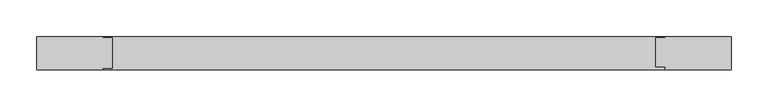
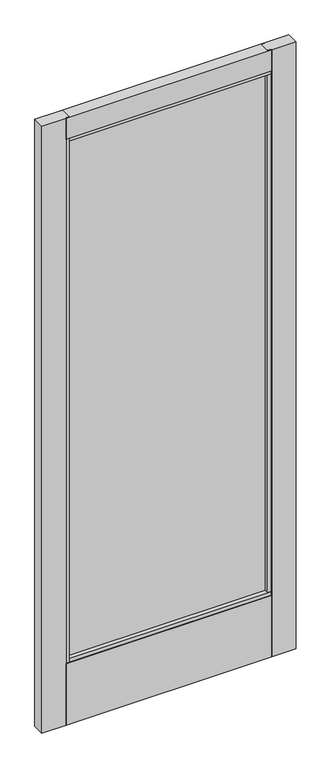
"""IFC4 building model written with IfcOpenShell, lengths in millimetres: plate geometry."""

from ifc_helpers import new_model, si_unit, frame, origin, place, context, project, spatial, polyline, outline, extrude, source, transform, mapped, element, save


def plate_15f1c539(model_context):
    return source(origin(), model_context, "Body", "SweptSolid", [
        extrude(outline(polyline([(-471.4875, 14.2875), (-381.7804594, 14.2875), (-381.7804594, 12.7276195), (-369.0804594, 12.7276195), (-369.0804594, -28.2929584), (-381.7804594, -28.2929584), (-381.7804594, -30.1625), (-471.4875, -30.1625), (-471.4875, 14.2875)])), frame((0.0, 0.0, 17.4625), z_axis=(0.0, 0.0, 1.0), x_axis=(1.0, 0.0, 0.0)), (0.0, 0.0, 1.0), 2379.2344027),
        extrude(outline(polyline([(-377.4719957, -10.8991855), (-377.4719957, -4.5491855), (373.8716222, -4.5491855), (373.8716222, -10.8991855), (-377.4719957, -10.8991855)])), frame((0.0, 0.0, 263.906), z_axis=(0.0, 0.0, 1.0), x_axis=(1.0, 0.0, 0.0)), (0.0, 0.0, 1.0), 2045.4784027),
        extrude(outline(polyline([(471.4875, 14.2875), (471.4875, -30.1625), (381.7905797, -30.1625), (381.7905797, -26.0572968), (369.0905797, -26.0572968), (369.0905797, 12.7276195), (381.7905797, 12.7276195), (381.7905797, 14.2875), (471.4875, 14.2875)])), frame((0.0, 0.0, 17.4625), z_axis=(0.0, 0.0, 1.0), x_axis=(1.0, 0.0, 0.0)), (0.0, 0.0, 1.0), 2379.2344027),
        extrude(outline(polyline([(-30.1625, 2396.6969027), (14.2875, 2396.6969027), (14.2875, 2314.1496967), (12.7276195, 2314.1496967), (12.7276195, 2301.4469027), (-28.2929584, 2301.4469027), (-28.2929584, 2314.1496967), (-30.1625, 2314.1496967), (-30.1625, 2396.6969027)])), frame((-381.7804594, 0.0, 0.0), z_axis=(1.0, 0.0, 0.0), x_axis=(0.0, 1.0, 0.0)), (0.0, 0.0, 1.0), 763.5710391),
        extrude(outline(polyline([(-28.2929584, 271.4298836), (12.7276195, 271.4298836), (12.7276195, 258.7303916), (14.2875, 258.7303916), (14.2875, 17.4625), (-30.1625, 17.4625), (-30.1625, 258.7303916), (-28.2929584, 258.7303916), (-28.2929584, 271.4298836)])), frame((-381.7804594, 0.0, 0.0), z_axis=(1.0, 0.0, 0.0), x_axis=(0.0, 1.0, 0.0)), (0.0, 0.0, 1.0), 763.5710391),
    ])


if __name__ == "__main__":
    model = new_model("IFC4")
    model_context = context("Model", 3, world=origin())
    ifc_project = project(units=[si_unit("LENGTHUNIT", "METRE", prefix="MILLI")], contexts=[model_context])
    site = spatial("IfcSite", under=ifc_project)
    building = spatial("IfcBuilding", under=site)
    placement = place(None, origin())
    plate_shape = plate_15f1c539(model_context)
    element("IfcPlate", 1, at=placement, inside=building, context=model_context, shape_type="MappedRepresentation", body=[
        mapped(plate_shape, transform((0.0, 0.0, 0.0), x_axis=(1.0, 0.0, 0.0), y_axis=(0.0, 1.0, 0.0), z_axis=(0.0, 0.0, 1.0))),
    ])
    save(model, "model.ifc")
